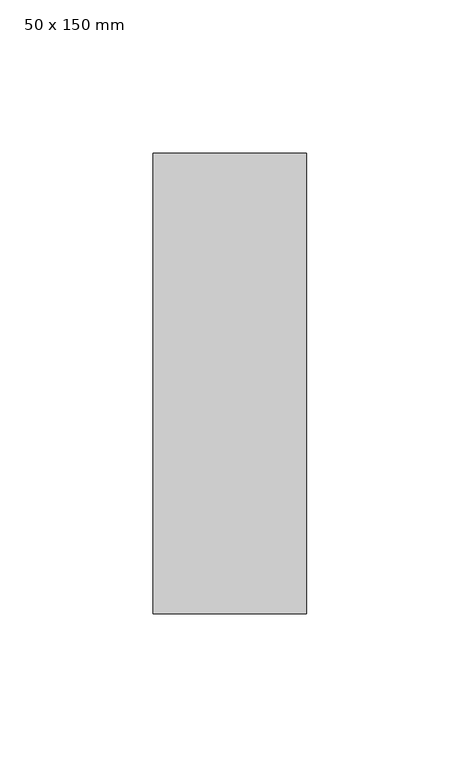
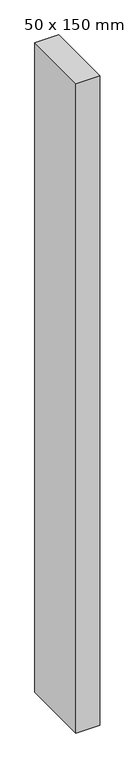
"""IFC4 building model written with IfcOpenShell, lengths in millimetres: member geometry, 50 x 150 mm."""

from ifc_helpers import new_model, si_unit, frame, origin, place, context, project, spatial, polyline, outline, extrude, source, transform, mapped, element, save


def member_50_x_150_mm_5a145be0(model_context):
    return source(origin(), model_context, "Body", "SweptSolid", [
        extrude(outline(polyline([(0.0, 75.0), (0.0, -75.0), (-50.0, -75.0), (-50.0, 75.0), (0.0, 75.0)])), frame((0.0, 0.0, -1450.0), z_axis=(0.0, 0.0, 1.0), x_axis=(1.0, 0.0, 0.0)), (0.0, 0.0, 1.0), 1450.0),
    ])


if __name__ == "__main__":
    model = new_model("IFC4")
    model_context = context("Model", 3, world=origin())
    ifc_project = project(units=[si_unit("LENGTHUNIT", "METRE", prefix="MILLI")], contexts=[model_context])
    site = spatial("IfcSite", under=ifc_project)
    building = spatial("IfcBuilding", under=site)
    placement = place(None, origin())
    member_50_x_150_mm_shape = member_50_x_150_mm_5a145be0(model_context)
    element("IfcMember", 1, ObjectType="50 x 150 mm", at=placement, inside=building, context=model_context, shape_type="MappedRepresentation", body=[
        mapped(member_50_x_150_mm_shape, transform((0.0, 0.0, 0.0), x_axis=(1.0, 0.0, 0.0), y_axis=(0.0, 1.0, 0.0), z_axis=(0.0, 0.0, 1.0))),
    ])
    save(model, "model.ifc")
